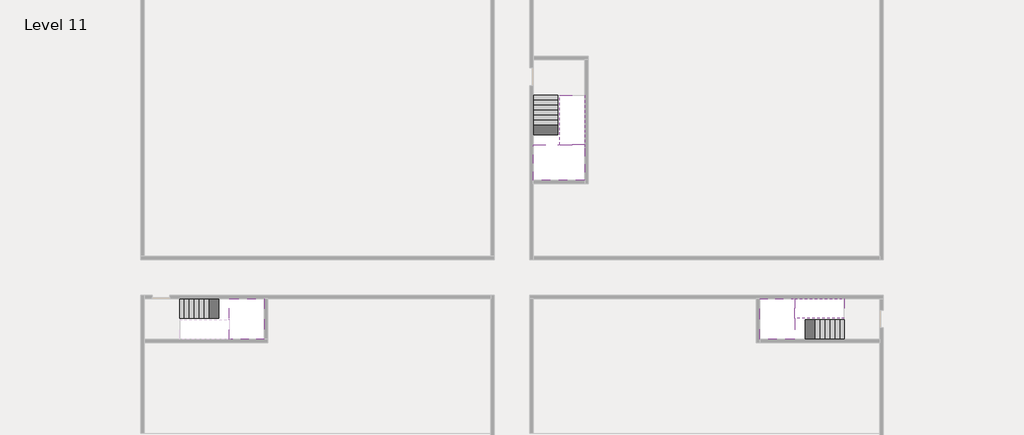
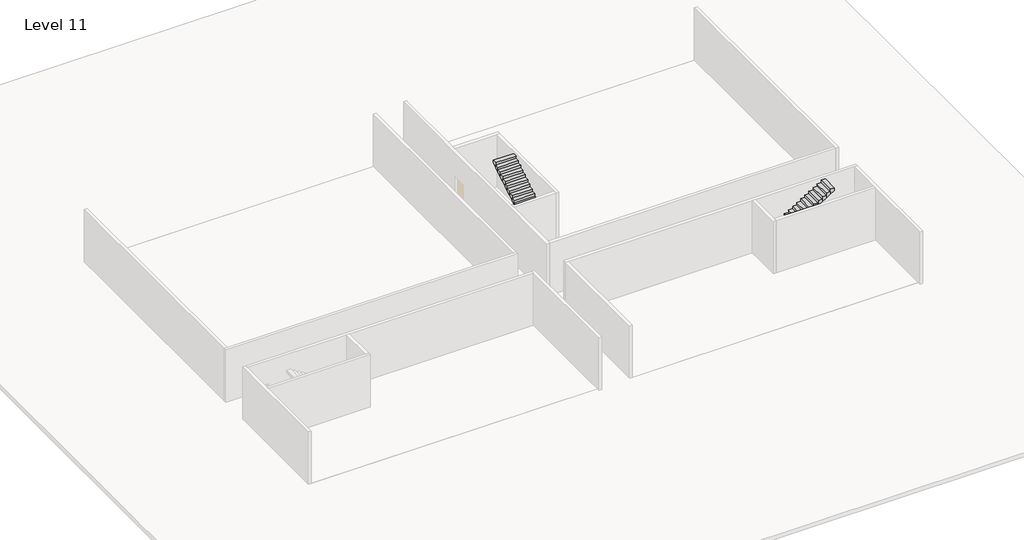
# One storey, part 2 of 2: 5 stair flights, 3 slabs.
"""IFC4 building model written with IfcOpenShell, lengths in millimetres."""

from ifc_helpers import new_model, si_unit, origin, place, context, project, spatial, faceted_brep, element, save

model = new_model("IFC4")

# Units and contexts
model_context = context("Model", 3, world=origin())
ifc_project = project(units=[si_unit("LENGTHUNIT", "METRE", prefix="MILLI")], contexts=[model_context])

# Site, building, storey
site = spatial("IfcSite", under=ifc_project)
building = spatial("IfcBuilding", under=site)
storey = spatial("IfcBuildingStorey", under=building, Name="Level 11", Elevation=38000.0)

# Slabs
placement = place(None, origin())
element("IfcSlab", 1, at=placement, inside=storey, context=model_context, shape_type="Brep", body=[
    faceted_brep([(8190.1058784, -42918.09644, 39900.0), (8190.1058784, -44018.09644, 39900.0), (8190.1058784, -44118.09644, 39900.0), (8190.1058784, -45218.09644, 39900.0), (8390.7194421, -45218.09644, 39900.0), (10190.1058784, -45218.09644, 39900.0), (10190.1058784, -42918.09644, 39900.0), (8269.4923146, -42918.09644, 39900.0), (8190.1058784, -42918.09644, 39727.2727273), (8190.1058784, -42918.09644, 39551.0278478), (8190.1058784, -44018.09644, 39551.0278478), (8190.1058784, -44018.09644, 39600.0), (8190.1058784, -44118.09644, 39600.0), (8190.1058784, -44118.09644, 39723.7551205), (8190.1058784, -45218.09644, 39723.7551205), (8390.7194421, -45218.09644, 39600.0), (10190.1058784, -45218.09644, 39600.0), (10190.1058784, -42918.09644, 39600.0), (8269.4923146, -42918.09644, 39600.0), (8390.7194421, -44118.09644, 39600.0), (8269.4923146, -44018.09644, 39600.0)], [[[0, 1, 2, 3, 4, 5, 6, 7]], [[1, 0, 8, 9, 10, 11]], [[2, 1, 11, 12, 13]], [[3, 2, 13, 14]], [[3, 14, 15, 16, 5, 4]], [[6, 5, 16, 17]], [[9, 8, 0, 7, 6, 17, 18]], [[19, 12, 11, 20, 18, 17, 16, 15]], [[12, 19, 13]], [[18, 20, 10, 9]], [[20, 11, 10]], [[19, 15, 14, 13]]]),
])
element("IfcSlab", 2, at=placement, inside=storey, context=model_context, shape_type="Brep", body=[
    faceted_brep([(40190.1058784, -45218.09644, 39900.0), (40190.1058784, -44118.09644, 39900.0), (40190.1058784, -44018.09644, 39900.0), (40190.1058784, -42918.09644, 39900.0), (39989.4923146, -42918.09644, 39900.0), (38190.1058784, -42918.09644, 39900.0), (38190.1058784, -45218.09644, 39900.0), (40110.7194421, -45218.09644, 39900.0), (40190.1058784, -45218.09644, 39727.2727273), (40190.1058784, -45218.09644, 39551.0278478), (40190.1058784, -44118.09644, 39551.0278478), (40190.1058784, -44118.09644, 39600.0), (40190.1058784, -44018.09644, 39600.0), (40190.1058784, -44018.09644, 39723.7551205), (40190.1058784, -42918.09644, 39723.7551205), (39989.4923146, -42918.09644, 39600.0), (38190.1058784, -42918.09644, 39600.0), (38190.1058784, -45218.09644, 39600.0), (40110.7194421, -45218.09644, 39600.0), (39989.4923146, -44018.09644, 39600.0), (40110.7194421, -44118.09644, 39600.0)], [[[0, 1, 2, 3, 4, 5, 6, 7]], [[1, 0, 8, 9, 10, 11]], [[2, 1, 11, 12, 13]], [[3, 2, 13, 14]], [[3, 14, 15, 16, 5, 4]], [[6, 5, 16, 17]], [[9, 8, 0, 7, 6, 17, 18]], [[19, 12, 11, 20, 18, 17, 16, 15]], [[12, 19, 13]], [[18, 20, 10, 9]], [[20, 11, 10]], [[19, 15, 14, 13]]]),
])
element("IfcSlab", 3, at=placement, inside=storey, context=model_context, shape_type="Brep", body=[
    faceted_brep([(26790.1058784, -34218.09644, 39900.0), (25390.1058784, -34218.09644, 39900.0), (25390.1058784, -34297.4828763, 39900.0), (25390.1058784, -36218.09644, 39900.0), (28290.1058784, -36218.09644, 39900.0), (28290.1058784, -34418.7100038, 39900.0), (28290.1058784, -34218.09644, 39900.0), (26890.1058784, -34218.09644, 39900.0), (26790.1058784, -34218.09644, 39600.0), (26790.1058784, -34218.09644, 39551.0278478), (25390.1058784, -34218.09644, 39551.0278478), (25390.1058784, -34218.09644, 39727.2727273), (25390.1058784, -34297.4828763, 39600.0), (25390.1058784, -36218.09644, 39600.0), (28290.1058784, -36218.09644, 39600.0), (28290.1058784, -34418.7100038, 39600.0), (28290.1058784, -34218.09644, 39723.7551205), (26890.1058784, -34218.09644, 39723.7551205), (26890.1058784, -34218.09644, 39600.0), (26890.1058784, -34418.7100038, 39600.0), (26790.1058784, -34297.4828763, 39600.0)], [[[0, 1, 2, 3, 4, 5, 6, 7]], [[1, 0, 8, 9, 10, 11]], [[1, 11, 10, 12, 13, 3, 2]], [[4, 3, 13, 14]], [[4, 14, 15, 16, 6, 5]], [[7, 6, 16, 17]], [[0, 7, 17, 18, 8]], [[18, 19, 15, 14, 13, 12, 20, 8]], [[19, 18, 17]], [[20, 12, 10, 9]], [[8, 20, 9]], [[15, 19, 17, 16]]]),
])

# Stair flights
element("IfcStairFlight", 4, at=placement, inside=storey, context=model_context, shape_type="Brep", body=[
    faceted_brep([(5670.1058784, -42918.09644, 38172.7272727), (5390.1058784, -42918.09644, 38172.7272727), (5390.1058784, -44018.09644, 38172.7272727), (5670.1058784, -44018.09644, 38172.7272727), (5670.1058784, -42918.09644, 38000.0), (5390.1058784, -42918.09644, 38000.0), (5390.1058784, -44018.09644, 38000.0), (5670.1058784, -44018.09644, 38000.0), (5950.1058784, -42918.09644, 38345.4545455), (5670.1058784, -42918.09644, 38345.4545455), (5670.1058784, -44018.09644, 38345.4545455), (5950.1058784, -44018.09644, 38345.4545455), (5950.1058784, -42918.09644, 38169.209666), (5675.8081041, -42918.09644, 38000.0), (5675.8081041, -44018.09644, 38000.0), (5950.1058784, -44018.09644, 38169.209666), (6230.1058784, -42918.09644, 38518.1818182), (5950.1058784, -42918.09644, 38518.1818182), (5950.1058784, -44018.09644, 38518.1818182), (6230.1058784, -44018.09644, 38518.1818182), (6230.1058784, -42918.09644, 38341.9369387), (6230.1058784, -44018.09644, 38341.9369387), (6510.1058784, -42918.09644, 38690.9090909), (6230.1058784, -42918.09644, 38690.9090909), (6230.1058784, -44018.09644, 38690.9090909), (6510.1058784, -44018.09644, 38690.9090909), (6510.1058784, -42918.09644, 38514.6642114), (6510.1058784, -44018.09644, 38514.6642114), (6790.1058784, -42918.09644, 38863.6363636), (6510.1058784, -42918.09644, 38863.6363636), (6510.1058784, -44018.09644, 38863.6363636), (6790.1058784, -44018.09644, 38863.6363636), (6790.1058784, -42918.09644, 38687.3914841), (6790.1058784, -44018.09644, 38687.3914841), (7070.1058784, -42918.09644, 39036.3636364), (6790.1058784, -42918.09644, 39036.3636364), (6790.1058784, -44018.09644, 39036.3636364), (7070.1058784, -44018.09644, 39036.3636364), (7070.1058784, -42918.09644, 38860.1187569), (7070.1058784, -44018.09644, 38860.1187569), (7350.1058784, -42918.09644, 39209.0909091), (7070.1058784, -42918.09644, 39209.0909091), (7070.1058784, -44018.09644, 39209.0909091), (7350.1058784, -44018.09644, 39209.0909091), (7350.1058784, -42918.09644, 39032.8460296), (7350.1058784, -44018.09644, 39032.8460296), (7630.1058784, -42918.09644, 39381.8181818), (7350.1058784, -42918.09644, 39381.8181818), (7350.1058784, -44018.09644, 39381.8181818), (7630.1058784, -44018.09644, 39381.8181818), (7630.1058784, -42918.09644, 39205.5733023), (7630.1058784, -44018.09644, 39205.5733023), (7910.1058784, -42918.09644, 39554.5454545), (7630.1058784, -42918.09644, 39554.5454545), (7630.1058784, -44018.09644, 39554.5454545), (7910.1058784, -44018.09644, 39554.5454545), (7910.1058784, -42918.09644, 39378.3005751), (7910.1058784, -44018.09644, 39378.3005751), (8190.1058784, -42918.09644, 39727.2727273), (7910.1058784, -42918.09644, 39727.2727273), (7910.1058784, -44018.09644, 39727.2727273), (8190.1058784, -44018.09644, 39727.2727273), (8190.1058784, -42918.09644, 39551.0278478), (8190.1058784, -44018.09644, 39551.0278478), (8190.1058784, -44018.09644, 39600.0)], [[[0, 1, 2, 3]], [[1, 0, 4, 5]], [[2, 1, 5, 6]], [[3, 2, 6, 7]], [[8, 9, 10, 11]], [[4, 0, 9, 8, 12, 13]], [[0, 3, 10, 9]], [[3, 7, 14, 15, 11, 10]], [[16, 17, 18, 19]], [[17, 16, 20, 12, 8]], [[8, 11, 18, 17]], [[19, 18, 11, 15, 21]], [[22, 23, 24, 25]], [[23, 22, 26, 20, 16]], [[16, 19, 24, 23]], [[25, 24, 19, 21, 27]], [[28, 29, 30, 31]], [[29, 28, 32, 26, 22]], [[22, 25, 30, 29]], [[31, 30, 25, 27, 33]], [[34, 35, 36, 37]], [[35, 34, 38, 32, 28]], [[28, 31, 36, 35]], [[37, 36, 31, 33, 39]], [[40, 41, 42, 43]], [[41, 40, 44, 38, 34]], [[34, 37, 42, 41]], [[43, 42, 37, 39, 45]], [[46, 47, 48, 49]], [[47, 46, 50, 44, 40]], [[40, 43, 48, 47]], [[49, 48, 43, 45, 51]], [[52, 53, 54, 55]], [[53, 52, 56, 50, 46]], [[46, 49, 54, 53]], [[55, 54, 49, 51, 57]], [[58, 59, 60, 61]], [[59, 58, 62, 56, 52]], [[52, 55, 60, 59]], [[61, 60, 55, 57, 63, 64]], [[58, 61, 64, 63, 62]], [[5, 4, 13, 14, 7, 6]], [[14, 13, 12, 20, 26, 32, 38, 44, 50, 56, 62, 63, 57, 51, 45, 39, 33, 27, 21, 15]]]),
])
element("IfcStairFlight", 5, at=placement, inside=storey, context=model_context, shape_type="Brep", body=[
    faceted_brep([(42710.1058784, -45218.09644, 38172.7272727), (42990.1058784, -45218.09644, 38172.7272727), (42990.1058784, -44118.09644, 38172.7272727), (42710.1058784, -44118.09644, 38172.7272727), (42710.1058784, -45218.09644, 38000.0), (42990.1058784, -45218.09644, 38000.0), (42990.1058784, -44118.09644, 38000.0), (42710.1058784, -44118.09644, 38000.0), (42430.1058784, -45218.09644, 38345.4545455), (42710.1058784, -45218.09644, 38345.4545455), (42710.1058784, -44118.09644, 38345.4545455), (42430.1058784, -44118.09644, 38345.4545455), (42430.1058784, -45218.09644, 38169.209666), (42704.4036527, -45218.09644, 38000.0), (42704.4036527, -44118.09644, 38000.0), (42430.1058784, -44118.09644, 38169.209666), (42150.1058784, -45218.09644, 38518.1818182), (42430.1058784, -45218.09644, 38518.1818182), (42430.1058784, -44118.09644, 38518.1818182), (42150.1058784, -44118.09644, 38518.1818182), (42150.1058784, -45218.09644, 38341.9369387), (42150.1058784, -44118.09644, 38341.9369387), (41870.1058784, -45218.09644, 38690.9090909), (42150.1058784, -45218.09644, 38690.9090909), (42150.1058784, -44118.09644, 38690.9090909), (41870.1058784, -44118.09644, 38690.9090909), (41870.1058784, -45218.09644, 38514.6642114), (41870.1058784, -44118.09644, 38514.6642114), (41590.1058784, -45218.09644, 38863.6363636), (41870.1058784, -45218.09644, 38863.6363636), (41870.1058784, -44118.09644, 38863.6363636), (41590.1058784, -44118.09644, 38863.6363636), (41590.1058784, -45218.09644, 38687.3914841), (41590.1058784, -44118.09644, 38687.3914841), (41310.1058784, -45218.09644, 39036.3636364), (41590.1058784, -45218.09644, 39036.3636364), (41590.1058784, -44118.09644, 39036.3636364), (41310.1058784, -44118.09644, 39036.3636364), (41310.1058784, -45218.09644, 38860.1187569), (41310.1058784, -44118.09644, 38860.1187569), (41030.1058784, -45218.09644, 39209.0909091), (41310.1058784, -45218.09644, 39209.0909091), (41310.1058784, -44118.09644, 39209.0909091), (41030.1058784, -44118.09644, 39209.0909091), (41030.1058784, -45218.09644, 39032.8460296), (41030.1058784, -44118.09644, 39032.8460296), (40750.1058784, -45218.09644, 39381.8181818), (41030.1058784, -45218.09644, 39381.8181818), (41030.1058784, -44118.09644, 39381.8181818), (40750.1058784, -44118.09644, 39381.8181818), (40750.1058784, -45218.09644, 39205.5733023), (40750.1058784, -44118.09644, 39205.5733023), (40470.1058784, -45218.09644, 39554.5454545), (40750.1058784, -45218.09644, 39554.5454545), (40750.1058784, -44118.09644, 39554.5454545), (40470.1058784, -44118.09644, 39554.5454545), (40470.1058784, -45218.09644, 39378.3005751), (40470.1058784, -44118.09644, 39378.3005751), (40190.1058784, -45218.09644, 39727.2727273), (40470.1058784, -45218.09644, 39727.2727273), (40470.1058784, -44118.09644, 39727.2727273), (40190.1058784, -44118.09644, 39727.2727273), (40190.1058784, -45218.09644, 39551.0278478), (40190.1058784, -44118.09644, 39551.0278478), (40190.1058784, -44118.09644, 39600.0)], [[[0, 1, 2, 3]], [[1, 0, 4, 5]], [[2, 1, 5, 6]], [[3, 2, 6, 7]], [[8, 9, 10, 11]], [[4, 0, 9, 8, 12, 13]], [[0, 3, 10, 9]], [[3, 7, 14, 15, 11, 10]], [[16, 17, 18, 19]], [[17, 16, 20, 12, 8]], [[8, 11, 18, 17]], [[19, 18, 11, 15, 21]], [[22, 23, 24, 25]], [[23, 22, 26, 20, 16]], [[16, 19, 24, 23]], [[25, 24, 19, 21, 27]], [[28, 29, 30, 31]], [[29, 28, 32, 26, 22]], [[22, 25, 30, 29]], [[31, 30, 25, 27, 33]], [[34, 35, 36, 37]], [[35, 34, 38, 32, 28]], [[28, 31, 36, 35]], [[37, 36, 31, 33, 39]], [[40, 41, 42, 43]], [[41, 40, 44, 38, 34]], [[34, 37, 42, 41]], [[43, 42, 37, 39, 45]], [[46, 47, 48, 49]], [[47, 46, 50, 44, 40]], [[40, 43, 48, 47]], [[49, 48, 43, 45, 51]], [[52, 53, 54, 55]], [[53, 52, 56, 50, 46]], [[46, 49, 54, 53]], [[55, 54, 49, 51, 57]], [[58, 59, 60, 61]], [[59, 58, 62, 56, 52]], [[52, 55, 60, 59]], [[61, 60, 55, 57, 63, 64]], [[58, 61, 64, 63, 62]], [[5, 4, 13, 14, 7, 6]], [[14, 13, 12, 20, 26, 32, 38, 44, 50, 56, 62, 63, 57, 51, 45, 39, 33, 27, 21, 15]]]),
])
element("IfcStairFlight", 6, at=placement, inside=storey, context=model_context, shape_type="Brep", body=[
    faceted_brep([(40470.1058784, -42918.09644, 40072.7272727), (40190.1058784, -42918.09644, 40072.7272727), (40190.1058784, -44018.09644, 40072.7272727), (40470.1058784, -44018.09644, 40072.7272727), (40470.1058784, -42918.09644, 39896.4823932), (40190.1058784, -42918.09644, 39723.7551205), (40190.1058784, -42918.09644, 39900.0), (40190.1058784, -44018.09644, 39723.7551205), (40470.1058784, -44018.09644, 39896.4823932), (40750.1058784, -42918.09644, 40245.4545455), (40470.1058784, -42918.09644, 40245.4545455), (40470.1058784, -44018.09644, 40245.4545455), (40750.1058784, -44018.09644, 40245.4545455), (40750.1058784, -42918.09644, 40069.209666), (40750.1058784, -44018.09644, 40069.209666), (41030.1058784, -42918.09644, 40418.1818182), (40750.1058784, -42918.09644, 40418.1818182), (40750.1058784, -44018.09644, 40418.1818182), (41030.1058784, -44018.09644, 40418.1818182), (41030.1058784, -42918.09644, 40241.9369387), (41030.1058784, -44018.09644, 40241.9369387), (41310.1058784, -42918.09644, 40590.9090909), (41030.1058784, -42918.09644, 40590.9090909), (41030.1058784, -44018.09644, 40590.9090909), (41310.1058784, -44018.09644, 40590.9090909), (41310.1058784, -42918.09644, 40414.6642114), (41310.1058784, -44018.09644, 40414.6642114), (41590.1058784, -42918.09644, 40763.6363636), (41310.1058784, -42918.09644, 40763.6363636), (41310.1058784, -44018.09644, 40763.6363636), (41590.1058784, -44018.09644, 40763.6363636), (41590.1058784, -42918.09644, 40587.3914841), (41590.1058784, -44018.09644, 40587.3914841), (41870.1058784, -42918.09644, 40936.3636364), (41590.1058784, -42918.09644, 40936.3636364), (41590.1058784, -44018.09644, 40936.3636364), (41870.1058784, -44018.09644, 40936.3636364), (41870.1058784, -42918.09644, 40760.1187569), (41870.1058784, -44018.09644, 40760.1187569), (42150.1058784, -42918.09644, 41109.0909091), (41870.1058784, -42918.09644, 41109.0909091), (41870.1058784, -44018.09644, 41109.0909091), (42150.1058784, -44018.09644, 41109.0909091), (42150.1058784, -42918.09644, 40932.8460296), (42150.1058784, -44018.09644, 40932.8460296), (42430.1058784, -42918.09644, 41281.8181818), (42150.1058784, -42918.09644, 41281.8181818), (42150.1058784, -44018.09644, 41281.8181818), (42430.1058784, -44018.09644, 41281.8181818), (42430.1058784, -42918.09644, 41105.5733023), (42430.1058784, -44018.09644, 41105.5733023), (42710.1058784, -42918.09644, 41454.5454545), (42430.1058784, -42918.09644, 41454.5454545), (42430.1058784, -44018.09644, 41454.5454545), (42710.1058784, -44018.09644, 41454.5454545), (42710.1058784, -42918.09644, 41278.3005751), (42710.1058784, -44018.09644, 41278.3005751), (42990.1058784, -42918.09644, 41627.2727273), (42710.1058784, -42918.09644, 41627.2727273), (42710.1058784, -44018.09644, 41627.2727273), (42990.1058784, -44018.09644, 41627.2727273), (42990.1058784, -42918.09644, 41451.0278478), (42990.1058784, -44018.09644, 41451.0278478)], [[[0, 1, 2, 3]], [[1, 0, 4, 5, 6]], [[2, 1, 6, 5, 7]], [[3, 2, 7, 8]], [[9, 10, 11, 12]], [[10, 9, 13, 4, 0]], [[11, 10, 0, 3]], [[12, 11, 3, 8, 14]], [[15, 16, 17, 18]], [[16, 15, 19, 13, 9]], [[17, 16, 9, 12]], [[18, 17, 12, 14, 20]], [[21, 22, 23, 24]], [[22, 21, 25, 19, 15]], [[23, 22, 15, 18]], [[24, 23, 18, 20, 26]], [[27, 28, 29, 30]], [[28, 27, 31, 25, 21]], [[29, 28, 21, 24]], [[30, 29, 24, 26, 32]], [[33, 34, 35, 36]], [[34, 33, 37, 31, 27]], [[35, 34, 27, 30]], [[36, 35, 30, 32, 38]], [[39, 40, 41, 42]], [[40, 39, 43, 37, 33]], [[41, 40, 33, 36]], [[42, 41, 36, 38, 44]], [[45, 46, 47, 48]], [[46, 45, 49, 43, 39]], [[47, 46, 39, 42]], [[48, 47, 42, 44, 50]], [[51, 52, 53, 54]], [[52, 51, 55, 49, 45]], [[53, 52, 45, 48]], [[54, 53, 48, 50, 56]], [[57, 58, 59, 60]], [[58, 57, 61, 55, 51]], [[59, 58, 51, 54]], [[60, 59, 54, 56, 62]], [[57, 60, 62, 61]], [[5, 4, 13, 19, 25, 31, 37, 43, 49, 55, 61, 62, 56, 50, 44, 38, 32, 26, 20, 14, 8, 7]]]),
])
element("IfcStairFlight", 7, at=placement, inside=storey, context=model_context, shape_type="Brep", body=[
    faceted_brep([(26790.1058784, -31698.09644, 38172.7272727), (26790.1058784, -31418.09644, 38172.7272727), (25390.1058784, -31418.09644, 38172.7272727), (25390.1058784, -31698.09644, 38172.7272727), (26790.1058784, -31698.09644, 38000.0), (26790.1058784, -31418.09644, 38000.0), (25390.1058784, -31418.09644, 38000.0), (25390.1058784, -31698.09644, 38000.0), (26790.1058784, -31978.09644, 38345.4545455), (26790.1058784, -31698.09644, 38345.4545455), (25390.1058784, -31698.09644, 38345.4545455), (25390.1058784, -31978.09644, 38345.4545455), (26790.1058784, -31978.09644, 38169.209666), (26790.1058784, -31703.7986657, 38000.0), (25390.1058784, -31703.7986657, 38000.0), (25390.1058784, -31978.09644, 38169.209666), (26790.1058784, -32258.09644, 38518.1818182), (26790.1058784, -31978.09644, 38518.1818182), (25390.1058784, -31978.09644, 38518.1818182), (25390.1058784, -32258.09644, 38518.1818182), (26790.1058784, -32258.09644, 38341.9369387), (25390.1058784, -32258.09644, 38341.9369387), (26790.1058784, -32538.09644, 38690.9090909), (26790.1058784, -32258.09644, 38690.9090909), (25390.1058784, -32258.09644, 38690.9090909), (25390.1058784, -32538.09644, 38690.9090909), (26790.1058784, -32538.09644, 38514.6642114), (25390.1058784, -32538.09644, 38514.6642114), (26790.1058784, -32818.09644, 38863.6363636), (26790.1058784, -32538.09644, 38863.6363636), (25390.1058784, -32538.09644, 38863.6363636), (25390.1058784, -32818.09644, 38863.6363636), (26790.1058784, -32818.09644, 38687.3914841), (25390.1058784, -32818.09644, 38687.3914841), (26790.1058784, -33098.09644, 39036.3636364), (26790.1058784, -32818.09644, 39036.3636364), (25390.1058784, -32818.09644, 39036.3636364), (25390.1058784, -33098.09644, 39036.3636364), (26790.1058784, -33098.09644, 38860.1187569), (25390.1058784, -33098.09644, 38860.1187569), (26790.1058784, -33378.09644, 39209.0909091), (26790.1058784, -33098.09644, 39209.0909091), (25390.1058784, -33098.09644, 39209.0909091), (25390.1058784, -33378.09644, 39209.0909091), (26790.1058784, -33378.09644, 39032.8460296), (25390.1058784, -33378.09644, 39032.8460296), (26790.1058784, -33658.09644, 39381.8181818), (26790.1058784, -33378.09644, 39381.8181818), (25390.1058784, -33378.09644, 39381.8181818), (25390.1058784, -33658.09644, 39381.8181818), (26790.1058784, -33658.09644, 39205.5733023), (25390.1058784, -33658.09644, 39205.5733023), (26790.1058784, -33938.09644, 39554.5454545), (26790.1058784, -33658.09644, 39554.5454545), (25390.1058784, -33658.09644, 39554.5454545), (25390.1058784, -33938.09644, 39554.5454545), (26790.1058784, -33938.09644, 39378.3005751), (25390.1058784, -33938.09644, 39378.3005751), (26790.1058784, -34218.09644, 39727.2727273), (26790.1058784, -33938.09644, 39727.2727273), (25390.1058784, -33938.09644, 39727.2727273), (25390.1058784, -34218.09644, 39727.2727273), (26790.1058784, -34218.09644, 39600.0), (26790.1058784, -34218.09644, 39551.0278478), (25390.1058784, -34218.09644, 39551.0278478)], [[[0, 1, 2, 3]], [[1, 0, 4, 5]], [[2, 1, 5, 6]], [[3, 2, 6, 7]], [[8, 9, 10, 11]], [[4, 0, 9, 8, 12, 13]], [[0, 3, 10, 9]], [[3, 7, 14, 15, 11, 10]], [[16, 17, 18, 19]], [[17, 16, 20, 12, 8]], [[8, 11, 18, 17]], [[19, 18, 11, 15, 21]], [[22, 23, 24, 25]], [[23, 22, 26, 20, 16]], [[16, 19, 24, 23]], [[25, 24, 19, 21, 27]], [[28, 29, 30, 31]], [[29, 28, 32, 26, 22]], [[22, 25, 30, 29]], [[31, 30, 25, 27, 33]], [[34, 35, 36, 37]], [[35, 34, 38, 32, 28]], [[28, 31, 36, 35]], [[37, 36, 31, 33, 39]], [[40, 41, 42, 43]], [[41, 40, 44, 38, 34]], [[34, 37, 42, 41]], [[43, 42, 37, 39, 45]], [[46, 47, 48, 49]], [[47, 46, 50, 44, 40]], [[40, 43, 48, 47]], [[49, 48, 43, 45, 51]], [[52, 53, 54, 55]], [[53, 52, 56, 50, 46]], [[46, 49, 54, 53]], [[55, 54, 49, 51, 57]], [[58, 59, 60, 61]], [[59, 58, 62, 63, 56, 52]], [[52, 55, 60, 59]], [[61, 60, 55, 57, 64]], [[58, 61, 64, 63, 62]], [[5, 4, 13, 14, 7, 6]], [[14, 13, 12, 20, 26, 32, 38, 44, 50, 56, 63, 64, 57, 51, 45, 39, 33, 27, 21, 15]]]),
])
element("IfcStairFlight", 8, at=placement, inside=storey, context=model_context, shape_type="Brep", body=[
    faceted_brep([(26890.1058784, -33938.09644, 40072.7272727), (26890.1058784, -34218.09644, 40072.7272727), (28290.1058784, -34218.09644, 40072.7272727), (28290.1058784, -33938.09644, 40072.7272727), (26890.1058784, -33938.09644, 39896.4823932), (26890.1058784, -34218.09644, 39723.7551205), (28290.1058784, -34218.09644, 39723.7551205), (28290.1058784, -34218.09644, 39900.0), (28290.1058784, -33938.09644, 39896.4823932), (26890.1058784, -33658.09644, 40245.4545455), (26890.1058784, -33938.09644, 40245.4545455), (28290.1058784, -33938.09644, 40245.4545455), (28290.1058784, -33658.09644, 40245.4545455), (26890.1058784, -33658.09644, 40069.209666), (28290.1058784, -33658.09644, 40069.209666), (26890.1058784, -33378.09644, 40418.1818182), (26890.1058784, -33658.09644, 40418.1818182), (28290.1058784, -33658.09644, 40418.1818182), (28290.1058784, -33378.09644, 40418.1818182), (26890.1058784, -33378.09644, 40241.9369387), (28290.1058784, -33378.09644, 40241.9369387), (26890.1058784, -33098.09644, 40590.9090909), (26890.1058784, -33378.09644, 40590.9090909), (28290.1058784, -33378.09644, 40590.9090909), (28290.1058784, -33098.09644, 40590.9090909), (26890.1058784, -33098.09644, 40414.6642114), (28290.1058784, -33098.09644, 40414.6642114), (26890.1058784, -32818.09644, 40763.6363636), (26890.1058784, -33098.09644, 40763.6363636), (28290.1058784, -33098.09644, 40763.6363636), (28290.1058784, -32818.09644, 40763.6363636), (26890.1058784, -32818.09644, 40587.3914841), (28290.1058784, -32818.09644, 40587.3914841), (26890.1058784, -32538.09644, 40936.3636364), (26890.1058784, -32818.09644, 40936.3636364), (28290.1058784, -32818.09644, 40936.3636364), (28290.1058784, -32538.09644, 40936.3636364), (26890.1058784, -32538.09644, 40760.1187569), (28290.1058784, -32538.09644, 40760.1187569), (26890.1058784, -32258.09644, 41109.0909091), (26890.1058784, -32538.09644, 41109.0909091), (28290.1058784, -32538.09644, 41109.0909091), (28290.1058784, -32258.09644, 41109.0909091), (26890.1058784, -32258.09644, 40932.8460296), (28290.1058784, -32258.09644, 40932.8460296), (26890.1058784, -31978.09644, 41281.8181818), (26890.1058784, -32258.09644, 41281.8181818), (28290.1058784, -32258.09644, 41281.8181818), (28290.1058784, -31978.09644, 41281.8181818), (26890.1058784, -31978.09644, 41105.5733023), (28290.1058784, -31978.09644, 41105.5733023), (26890.1058784, -31698.09644, 41454.5454545), (26890.1058784, -31978.09644, 41454.5454545), (28290.1058784, -31978.09644, 41454.5454545), (28290.1058784, -31698.09644, 41454.5454545), (26890.1058784, -31698.09644, 41278.3005751), (28290.1058784, -31698.09644, 41278.3005751), (26890.1058784, -31418.09644, 41627.2727273), (26890.1058784, -31698.09644, 41627.2727273), (28290.1058784, -31698.09644, 41627.2727273), (28290.1058784, -31418.09644, 41627.2727273), (26890.1058784, -31418.09644, 41451.0278478), (28290.1058784, -31418.09644, 41451.0278478)], [[[0, 1, 2, 3]], [[1, 0, 4, 5]], [[2, 1, 5, 6, 7]], [[3, 2, 7, 6, 8]], [[9, 10, 11, 12]], [[10, 9, 13, 4, 0]], [[11, 10, 0, 3]], [[12, 11, 3, 8, 14]], [[15, 16, 17, 18]], [[16, 15, 19, 13, 9]], [[17, 16, 9, 12]], [[18, 17, 12, 14, 20]], [[21, 22, 23, 24]], [[22, 21, 25, 19, 15]], [[23, 22, 15, 18]], [[24, 23, 18, 20, 26]], [[27, 28, 29, 30]], [[28, 27, 31, 25, 21]], [[29, 28, 21, 24]], [[30, 29, 24, 26, 32]], [[33, 34, 35, 36]], [[34, 33, 37, 31, 27]], [[35, 34, 27, 30]], [[36, 35, 30, 32, 38]], [[39, 40, 41, 42]], [[40, 39, 43, 37, 33]], [[41, 40, 33, 36]], [[42, 41, 36, 38, 44]], [[45, 46, 47, 48]], [[46, 45, 49, 43, 39]], [[47, 46, 39, 42]], [[48, 47, 42, 44, 50]], [[51, 52, 53, 54]], [[52, 51, 55, 49, 45]], [[53, 52, 45, 48]], [[54, 53, 48, 50, 56]], [[57, 58, 59, 60]], [[58, 57, 61, 55, 51]], [[59, 58, 51, 54]], [[60, 59, 54, 56, 62]], [[57, 60, 62, 61]], [[5, 4, 13, 19, 25, 31, 37, 43, 49, 55, 61, 62, 56, 50, 44, 38, 32, 26, 20, 14, 8, 6]]]),
])

save(model, "model.ifc")
